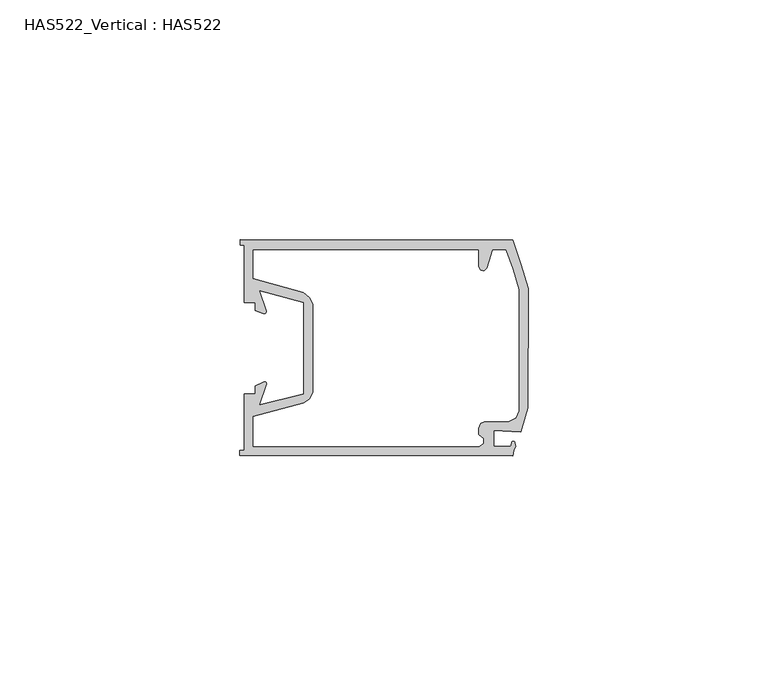
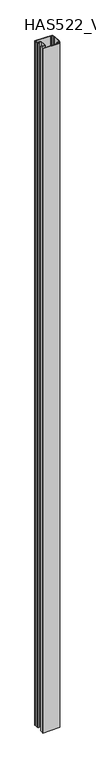
"""IFC4 building model written with IfcOpenShell, lengths in millimetres: beam geometry, HAS522_Vertical : HAS522."""

from ifc_helpers import new_model, si_unit, point, frame, frame_2d, origin, place, context, project, spatial, polyline, circle_curve, trimmed, segment, composite_curve, outline, extrude, source, transform, mapped, element, save


def has522_vertical_has522_f18d1fe5(model_context):
    return source(origin(), model_context, "Body", "SweptSolid", [
        extrude(outline(composite_curve([segment(polyline([(-7.1847347, 5.2791262), (-7.1850487, 1.8988445), (-3.5934994, 1.8985109), (-3.375781, 2.7690411)]), True, "CONTINUOUS"), segment(trimmed(circle_curve(frame_2d((-3.0652567, 2.6913794)), 0.3200885), [point((-3.375781, 2.7690411))], [point((-2.7547181, 2.7689834))], False, "CARTESIAN"), True, "CONTINUOUS"), segment(polyline([(-2.7547181, 2.7689834), (-2.5371614, 1.8984128), (-2.9597751, 1.0533817), (-3.1711408, -0.0029367), (-60.0021264, 0.0023415), (-60.0020283, 1.0586796), (-59.1569579, 1.0586011), (-59.1558591, 12.8895869), (-56.8319154, 12.8893711), (-56.8317585, 14.5795119), (-55.0673443, 15.3634998)]), True, "CONTINUOUS"), segment(trimmed(circle_curve(frame_2d((-54.8944487, 14.9743874)), 0.4257949), [point((-55.0673443, 15.3634998))], [point((-54.4929414, 14.832637))], False, "CARTESIAN"), True, "CONTINUOUS"), segment(polyline([(-54.4929414, 14.832637), (-55.9787639, 10.6240521), (-46.6910704, 12.8884293), (-46.6893044, 31.9025137), (-55.9697573, 34.3933153), (-54.5725248, 30.2003199)]), True, "CONTINUOUS"), segment(trimmed(circle_curve(frame_2d((-54.9886804, 30.0616443)), 0.4386529), [point((-54.5725248, 30.2003199))], [point((-55.1274332, 29.6455145))], False, "CARTESIAN"), True, "CONTINUOUS"), segment(polyline([(-55.1274332, 29.6455145), (-56.8303064, 30.2133147), (-56.8301495, 31.9034555), (-59.1540931, 31.9036714), (-59.1529747, 43.9459248), (-59.9980451, 43.9460033), (-59.997947, 45.0023414), (-3.1669613, 44.9970631), (-1.4772914, 39.9264836), (0.0011109, 34.8559237), (-0.0012045, 9.9263464), (-1.4964161, 4.9439891), (-7.1847347, 5.2791262)]), True, "CONTINUOUS")], self_intersect=False), holes=[polyline([(-7.3925096, 42.8847795), (-8.4492008, 39.0820607), (-9.0830625, 38.4483167), (-9.9281133, 38.6596628), (-10.35057, 39.5047725), (-10.3502561, 42.8850542), (-57.2516643, 42.8894102), (-57.2522228, 36.8770863), (-46.6891082, 34.0151897), (-45.4216007, 32.958734), (-44.7879352, 31.4798019), (-44.7896227, 13.3107879), (-45.4235629, 11.8319735), (-46.691247, 10.9870208), (-57.254893, 8.1270864), (-57.255471, 1.9034949), (-10.1427951, 1.8991192), (-9.2976659, 2.5328435), (-9.2975677, 3.5891816), (-10.3538322, 4.3815332), (-10.3537095, 5.7019557), (-9.9310762, 6.7582545), (-8.874699, 7.1806916), (-4.0155441, 7.1802403), (-2.536612, 7.8139058), (-1.9026718, 9.2927201), (-1.9003172, 34.6448327), (-3.1675304, 38.8703025), (-4.6460308, 42.8845244), (-7.3925096, 42.8847795)])]), frame((0.0, 0.0, -1200.0), z_axis=(0.0, 0.0, 1.0), x_axis=(1.0, 0.0, 0.0)), (0.0, 0.0, 1.0), 2400.0),
    ])


if __name__ == "__main__":
    model = new_model("IFC4")
    model_context = context("Model", 3, world=origin())
    ifc_project = project(units=[si_unit("LENGTHUNIT", "METRE", prefix="MILLI")], contexts=[model_context])
    site = spatial("IfcSite", under=ifc_project)
    building = spatial("IfcBuilding", under=site)
    placement = place(None, origin())
    has522_vertical_has522_shape = has522_vertical_has522_f18d1fe5(model_context)
    element("IfcBeam", 1, ObjectType="HAS522_Vertical : HAS522", at=placement, inside=building, context=model_context, shape_type="MappedRepresentation", body=[
        mapped(has522_vertical_has522_shape, transform((0.0, 0.0, 0.0), x_axis=(1.0, 0.0, 0.0), y_axis=(0.0, 1.0, 0.0), z_axis=(0.0, 0.0, 1.0))),
    ])
    save(model, "model.ifc")
